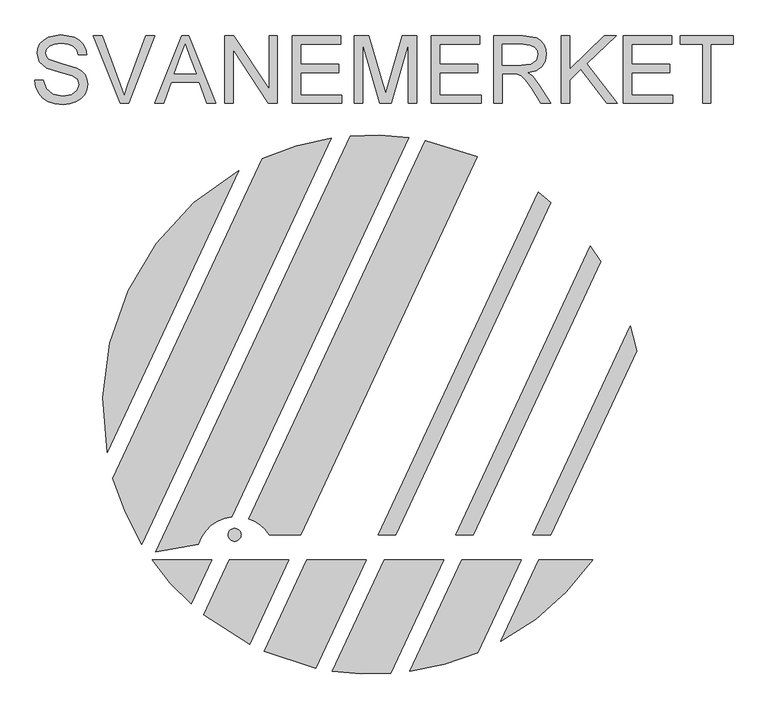
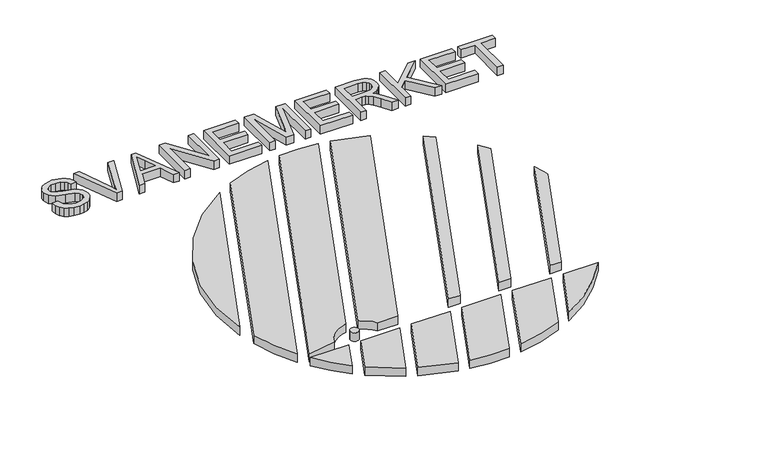
"""IFC4 building model written with IfcOpenShell, lengths in millimetres: furniture geometry."""

from ifc_helpers import new_model, si_unit, point, frame_2d, origin, origin_with_axes, place, context, project, spatial, polyline, circle_curve, trimmed, segment, composite_curve, outline, extrude, source, transform, mapped, element, save


def furniture_0fe6ba7d(model_context):
    return source(origin(), model_context, "Body", "SweptSolid", [
        extrude(outline(composite_curve([segment(trimmed(circle_curve(frame_2d((-24.6475573, 30.8094466)), 601.8995619), [point((-616.9101161, -76.4665712))], [point((-322.988357, 553.5673732))], False, "CARTESIAN"), True, "CONTINUOUS"), segment(polyline([(-322.988357, 553.5673732), (-616.9101161, -76.4665712)]), True, "CONTINUOUS")], self_intersect=False)), origin_with_axes(), (0.0, 0.0, 1.0), 30.0),
        extrude(outline(composite_curve([segment(polyline([(-184.417168, -259.8774557), (-254.8194588, -259.8774557)]), True, "CONTINUOUS"), segment(trimmed(circle_curve(frame_2d((-328.9435212, -307.0648337)), 87.8693649), [point((-254.8194588, -259.8774557))], [point((-300.4832758, -223.9321704))], True, "CARTESIAN"), True, "CONTINUOUS"), segment(polyline([(-300.4832758, -223.9321704), (93.6755654, 620.9642748)]), True, "CONTINUOUS"), segment(trimmed(circle_curve(frame_2d((-24.6475573, 30.8094466)), 601.8995619), [point((93.6755654, 620.9642748))], [point((209.810758, 585.1670757))], False, "CARTESIAN"), True, "CONTINUOUS"), segment(polyline([(209.810758, 585.1670757), (-184.417168, -259.8774557)]), True, "CONTINUOUS")], self_intersect=False)), origin_with_axes(), (0.0, 0.0, 1.0), 30.0),
        extrude(outline(composite_curve([segment(trimmed(circle_curve(frame_2d((-328.9435212, -307.0648337)), 87.8693649), [point((-338.3601562, -219.7014989))], [point((-413.0591824, -281.656551))], True, "CARTESIAN"), True, "CONTINUOUS"), segment(trimmed(circle_curve(frame_2d((-369.1350409, -808.0588507)), 528.2316834), [point((-413.0591824, -281.656551))], [point((-507.9000392, -298.3795529))], True, "CARTESIAN"), True, "CONTINUOUS"), segment(polyline([(-507.9000392, -298.3795529), (-74.4957061, 630.6412935)]), True, "CONTINUOUS"), segment(trimmed(circle_curve(frame_2d((-24.6475573, 30.8094466)), 601.8995619), [point((-74.4957061, 630.6412935))], [point((56.7261421, 627.1829903))], False, "CARTESIAN"), True, "CONTINUOUS"), segment(polyline([(56.7261421, 627.1829903), (-338.3601562, -219.7014989)]), True, "CONTINUOUS")], self_intersect=False)), origin_with_axes(), (0.0, 0.0, 1.0), 30.0),
        extrude(outline(composite_curve([segment(trimmed(circle_curve(frame_2d((-24.6475573, 30.8094466)), 601.8995619), [point((-539.574243, -280.853177))], [point((-603.6786606, -133.5257718))], False, "CARTESIAN"), True, "CONTINUOUS"), segment(polyline([(-603.6786606, -133.5257718), (-270.7643192, 580.0904513)]), True, "CONTINUOUS"), segment(trimmed(circle_curve(frame_2d((-24.6475573, 30.8094466)), 601.8995619), [point((-270.7643192, 580.0904513))], [point((-116.683759, 625.6307812))], False, "CARTESIAN"), True, "CONTINUOUS"), segment(polyline([(-116.683759, 625.6307812), (-539.574243, -280.853177)]), True, "CONTINUOUS")], self_intersect=False)), origin_with_axes(), (0.0, 0.0, 1.0), 30.0),
        extrude(outline(composite_curve([segment(polyline([(-11.7313994, -259.8774557), (345.3550414, 505.5527031)]), True, "CONTINUOUS"), segment(trimmed(circle_curve(frame_2d((-24.6475573, 30.8094466)), 601.8995619), [point((345.3550414, 505.5527031))], [point((359.1738459, 494.4517797))], False, "CARTESIAN"), True, "CONTINUOUS"), segment(trimmed(circle_curve(frame_2d((-24.6475573, 30.8094466)), 601.8995619), [point((359.1738459, 494.4517797))], [point((374.0774636, 481.6990565))], False, "CARTESIAN"), True, "CONTINUOUS"), segment(polyline([(374.0774636, 481.6990565), (28.1191626, -259.8774557), (-11.7313994, -259.8774557)]), True, "CONTINUOUS")], self_intersect=False)), origin_with_axes(), (0.0, 0.0, 1.0), 30.0),
        extrude(outline(composite_curve([segment(polyline([(160.9543692, -259.8774557), (461.8811668, 385.1720902)]), True, "CONTINUOUS"), segment(trimmed(circle_curve(frame_2d((-24.6475573, 30.8094466)), 601.8995619), [point((461.8811668, 385.1720902))], [point((485.4615318, 350.2962224))], False, "CARTESIAN"), True, "CONTINUOUS"), segment(polyline([(485.4615318, 350.2962224), (200.8049312, -259.8774557), (160.9543692, -259.8774557)]), True, "CONTINUOUS")], self_intersect=False)), origin_with_axes(), (0.0, 0.0, 1.0), 30.0),
        extrude(outline(composite_curve([segment(polyline([(333.6401378, -259.8774557), (551.1083766, 206.2750763)]), True, "CONTINUOUS"), segment(trimmed(circle_curve(frame_2d((-24.6475573, 30.8094466)), 601.8995619), [point((551.1083766, 206.2750763))], [point((561.1792126, 168.976296))], False, "CARTESIAN"), True, "CONTINUOUS"), segment(trimmed(circle_curve(frame_2d((-24.6475573, 30.8094466)), 601.8995619), [point((561.1792126, 168.976296))], [point((565.1426647, 150.9367818))], False, "CARTESIAN"), True, "CONTINUOUS"), segment(polyline([(565.1426647, 150.9367818), (373.4906998, -259.8774557), (333.6401378, -259.8774557)]), True, "CONTINUOUS")], self_intersect=False)), origin_with_axes(), (0.0, 0.0, 1.0), 30.0),
        extrude(outline(composite_curve([segment(polyline([(-383.4715959, -316.3998119), (-429.3436729, -414.7285839)]), True, "CONTINUOUS"), segment(trimmed(circle_curve(frame_2d((-24.6475573, 30.8094466)), 601.8995619), [point((-429.3436729, -414.7285839))], [point((-516.3068025, -316.3998119))], False, "CARTESIAN"), True, "CONTINUOUS"), segment(polyline([(-516.3068025, -316.3998119), (-383.4715959, -316.3998119)]), True, "CONTINUOUS")], self_intersect=False)), origin_with_axes(), (0.0, 0.0, 1.0), 30.0),
        extrude(outline(composite_curve([segment(trimmed(circle_curve(frame_2d((-24.6475573, 30.8094466)), 601.8995619), [point((467.011688, -316.3998119))], [point((262.2571823, -498.3112892))], False, "CARTESIAN"), True, "CONTINUOUS"), segment(polyline([(262.2571823, -498.3112892), (347.1220406, -316.3998119), (467.011688, -316.3998119)]), True, "CONTINUOUS")], self_intersect=False)), origin_with_axes(), (0.0, 0.0, 1.0), 30.0),
        extrude(outline(composite_curve([segment(trimmed(circle_curve(frame_2d((-24.6475573, 30.8094466)), 601.8995619), [point((210.8359771, -523.1134611))], [point((58.2978441, -565.3475319))], False, "CARTESIAN"), True, "CONTINUOUS"), segment(polyline([(58.2978441, -565.3475319), (174.436272, -316.3998119), (307.2714786, -316.3998119), (210.8359771, -523.1134611)]), True, "CONTINUOUS")], self_intersect=False)), origin_with_axes(), (0.0, 0.0, 1.0), 30.0),
        extrude(outline(composite_curve([segment(trimmed(circle_curve(frame_2d((-24.6475573, 30.8094466)), 601.8995619), [point((16.4227157, -569.6872772))], [point((-113.9585589, -564.4271682))], False, "CARTESIAN"), True, "CONTINUOUS"), segment(polyline([(-113.9585589, -564.4271682), (1.7505034, -316.3998119), (134.58571, -316.3998119), (16.4227157, -569.6872772)]), True, "CONTINUOUS")], self_intersect=False)), origin_with_axes(), (0.0, 0.0, 1.0), 30.0),
        extrude(outline(composite_curve([segment(trimmed(circle_curve(frame_2d((-24.6475573, 30.8094466)), 601.8995619), [point((-150.69163, -557.7446922))], [point((-266.1574445, -520.5126525))], False, "CARTESIAN"), True, "CONTINUOUS"), segment(polyline([(-266.1574445, -520.5126525), (-170.9352652, -316.3998119), (-38.1000586, -316.3998119), (-150.69163, -557.7446922)]), True, "CONTINUOUS")], self_intersect=False)), origin_with_axes(), (0.0, 0.0, 1.0), 30.0),
        extrude(outline(composite_curve([segment(trimmed(circle_curve(frame_2d((-24.6475573, 30.8094466)), 601.8995619), [point((-298.7878177, -505.0358671))], [point((-400.8376029, -439.0459909))], False, "CARTESIAN"), True, "CONTINUOUS"), segment(polyline([(-400.8376029, -439.0459909), (-343.6210339, -316.3998119), (-210.7858272, -316.3998119), (-298.7878177, -505.0358671)]), True, "CONTINUOUS")], self_intersect=False)), origin_with_axes(), (0.0, 0.0, 1.0), 30.0),
        extrude(outline(composite_curve([segment(trimmed(circle_curve(frame_2d((-332.0770216, -259.8774557)), 14.2959215), [point((-346.3729431, -259.8774557))], [point((-317.7811001, -259.8774557))], False, "CARTESIAN"), True, "CONTINUOUS"), segment(trimmed(circle_curve(frame_2d((-332.0770216, -259.8774557)), 14.2959215), [point((-317.7811001, -259.8774557))], [point((-346.3729431, -259.8774557))], False, "CARTESIAN"), True, "CONTINUOUS")], self_intersect=False)), origin_with_axes(), (0.0, 0.0, 1.0), 30.0),
        extrude(outline(polyline([(-777.9888762, 755.5981892), (-759.1533181, 755.5981892), (-753.0832652, 736.7442369), (-738.2576208, 724.8248603), (-715.6696662, 720.2815177), (-695.9879795, 723.7212143), (-683.2776566, 733.1757816), (-679.1021959, 745.8125281), (-682.2291929, 757.5663579), (-695.0314863, 766.1196143), (-722.4570891, 773.3117073), (-751.9796192, 782.6007276), (-768.0008801, 796.6170317), (-773.2799867, 815.3422252), (-771.6475103, 826.3740865), (-766.7500813, 836.6609868), (-758.7164582, 845.3797901), (-747.6753998, 851.7073604), (-719.7531564, 856.8393143), (-689.9547148, 851.4682371), (-678.5319788, 844.8371642), (-670.089087, 835.6860995), (-664.7456011, 824.5852603), (-662.6210825, 812.1048637), (-681.4566407, 812.1048637), (-684.9147315, 823.3436586), (-692.1252186, 831.4554566), (-703.3916047, 836.3666812), (-719.0173924, 838.0037561), (-735.0110621, 836.3850753), (-745.9831427, 831.529033), (-752.3291071, 824.3829252), (-754.4444285, 815.8940482), (-752.9453094, 808.6559699), (-748.447952, 802.8342374), (-717.6930172, 792.3128123), (-684.3629085, 782.858245), (-673.6253527, 776.024837), (-666.1343556, 767.5911422), (-661.7335672, 757.6491313), (-660.2666378, 746.2907747), (-661.9542964, 734.6794992), (-667.0172724, 723.7580025), (-675.248632, 714.3586175), (-686.4414417, 707.3136773), (-699.9013242, 702.912889), (-714.9339023, 701.4459595), (-733.3877828, 703.0278521), (-748.5767107, 707.7735298), (-760.6754298, 715.7013868), (-769.8586841, 726.8298172), (-775.7539931, 740.3862687), (-777.9888762, 755.5981892)])), origin_with_axes(), (0.0, 0.0, 1.0), 30.0),
        extrude(outline(polyline([(-510.6490303, 703.8004043), (-450.5003241, 854.4848695), (-434.4606691, 854.4848695), (-374.3119629, 703.8004043), (-394.2143789, 703.8004043), (-411.4680444, 750.8892997), (-473.529737, 750.8892997), (-490.7466144, 703.8004043), (-510.6490303, 703.8004043)]), holes=[polyline([(-466.6135555, 769.7248578), (-418.3474377, 769.7248578), (-431.9222834, 806.7705747), (-442.4804966, 835.6493113), (-451.8614875, 810.0079363), (-466.6135555, 769.7248578)])]), origin_with_axes(), (0.0, 0.0, 1.0), 30.0),
        extrude(outline(polyline([(-587.4995791, 703.8004043), (-647.4643443, 854.4848695), (-627.304411, 854.4848695), (-587.1684853, 745.9228927), (-579.0382932, 721.45874), (-571.0184657, 745.9228927), (-530.7721755, 854.4848695), (-510.6122421, 854.4848695), (-568.0386216, 703.8004043), (-587.4995791, 703.8004043)])), origin_with_axes(), (0.0, 0.0, 1.0), 30.0),
        extrude(outline(polyline([(-354.1888178, 703.8004043), (-354.1888178, 854.4848695), (-334.0288845, 854.4848695), (-255.3021375, 735.1071621), (-255.3021375, 854.4848695), (-236.4665793, 854.4848695), (-236.4665793, 703.8004043), (-256.6265127, 703.8004043), (-335.3532596, 823.2148999), (-335.3532596, 703.8004043), (-354.1888178, 703.8004043)])), origin_with_axes(), (0.0, 0.0, 1.0), 30.0),
        extrude(outline(polyline([(-203.5043526, 703.8004043), (-203.5043526, 854.4848695), (-95.1998932, 854.4848695), (-95.1998932, 835.6493113), (-184.6687944, 835.6493113), (-184.6687944, 790.9148607), (-99.9087827, 790.9148607), (-99.9087827, 772.0793026), (-184.6687944, 772.0793026), (-184.6687944, 722.6359624), (-92.8454484, 722.6359624), (-92.8454484, 703.8004043), (-203.5043526, 703.8004043)])), origin_with_axes(), (0.0, 0.0, 1.0), 30.0),
        extrude(outline(polyline([(-64.5921112, 703.8004043), (-64.5921112, 854.4848695), (-32.1817074, 854.4848695), (-1.3531962, 748.2773375), (4.8640095, 726.0940532), (11.59625, 750.1167475), (41.9097264, 854.4848695), (74.3201302, 854.4848695), (74.3201302, 703.8004043), (55.484572, 703.8004043), (55.484572, 835.6493113), (17.6295147, 703.8004043), (-7.9014957, 703.8004043), (-45.756553, 835.6493113), (-45.756553, 703.8004043), (-64.5921112, 703.8004043)])), origin_with_axes(), (0.0, 0.0, 1.0), 30.0),
        extrude(outline(polyline([(107.282357, 703.8004043), (107.282357, 854.4848695), (215.5868163, 854.4848695), (215.5868163, 835.6493113), (126.1179151, 835.6493113), (126.1179151, 790.9148607), (210.8779268, 790.9148607), (210.8779268, 772.0793026), (126.1179151, 772.0793026), (126.1179151, 722.6359624), (217.9412611, 722.6359624), (217.9412611, 703.8004043), (107.282357, 703.8004043)])), origin_with_axes(), (0.0, 0.0, 1.0), 30.0),
        extrude(outline(polyline([(246.1945983, 703.8004043), (246.1945983, 854.4848695), (311.1257705, 854.4848695), (341.2737, 850.4197735), (350.5535233, 844.7911789), (357.7548134, 836.0355874), (362.3763309, 825.1784701), (363.9168368, 813.2452978), (361.3646555, 798.4012593), (353.7081114, 786.0956066), (340.7172785, 777.0733007), (322.1622303, 772.0793026), (332.8675964, 764.0226869), (348.1346992, 744.6353057), (373.2610395, 703.8004043), (351.3720608, 703.8004043), (331.7639504, 735.0335857), (317.6004936, 755.7085538), (307.6492856, 765.4758208), (298.6913591, 769.0626702), (287.7652638, 769.7248578), (265.0301565, 769.7248578), (265.0301565, 703.8004043), (246.1945983, 703.8004043)]), holes=[polyline([(265.0301565, 788.560416), (307.1894331, 788.560416), (328.6921358, 791.2275604), (340.905818, 799.7624227), (345.0812786, 812.546322), (343.0901173, 821.7341749), (337.1166334, 829.1378), (326.8389302, 834.0214335), (311.9351109, 835.6493113), (265.0301565, 835.6493113), (265.0301565, 788.560416)])]), origin_with_axes(), (0.0, 0.0, 1.0), 30.0),
        extrude(outline(polyline([(396.8790636, 703.8004043), (396.8790636, 854.4848695), (415.7146217, 854.4848695), (415.7146217, 780.7245295), (492.9698407, 854.4848695), (519.3101916, 854.4848695), (454.4525958, 792.5335415), (521.6646363, 703.8004043), (498.6352234, 703.8004043), (441.0984794, 779.8048245), (415.7146217, 755.5981892), (415.7146217, 703.8004043), (396.8790636, 703.8004043)])), origin_with_axes(), (0.0, 0.0, 1.0), 30.0),
        extrude(outline(polyline([(535.7913049, 703.8004043), (535.7913049, 854.4848695), (644.0957643, 854.4848695), (644.0957643, 835.6493113), (554.6268631, 835.6493113), (554.6268631, 790.9148607), (639.3868748, 790.9148607), (639.3868748, 772.0793026), (554.6268631, 772.0793026), (554.6268631, 722.6359624), (646.4502091, 722.6359624), (646.4502091, 703.8004043), (535.7913049, 703.8004043)])), origin_with_axes(), (0.0, 0.0, 1.0), 30.0),
        extrude(outline(polyline([(712.3746626, 703.8004043), (712.3746626, 835.6493113), (662.9313225, 835.6493113), (662.9313225, 854.4848695), (780.6535609, 854.4848695), (780.6535609, 835.6493113), (731.2102208, 835.6493113), (731.2102208, 703.8004043), (712.3746626, 703.8004043)])), origin_with_axes(), (0.0, 0.0, 1.0), 30.0),
    ])


if __name__ == "__main__":
    model = new_model("IFC4")
    model_context = context("Model", 3, world=origin())
    ifc_project = project(units=[si_unit("LENGTHUNIT", "METRE", prefix="MILLI")], contexts=[model_context])
    site = spatial("IfcSite", under=ifc_project)
    building = spatial("IfcBuilding", under=site)
    placement = place(None, origin())
    furniture_shape = furniture_0fe6ba7d(model_context)
    element("IfcFurniture", 1, at=placement, inside=building, context=model_context, shape_type="MappedRepresentation", body=[
        mapped(furniture_shape, transform((0.0, 0.0, 0.0), x_axis=(1.0, 0.0, 0.0), y_axis=(0.0, 1.0, 0.0), z_axis=(0.0, 0.0, 1.0))),
    ])
    save(model, "model.ifc")
